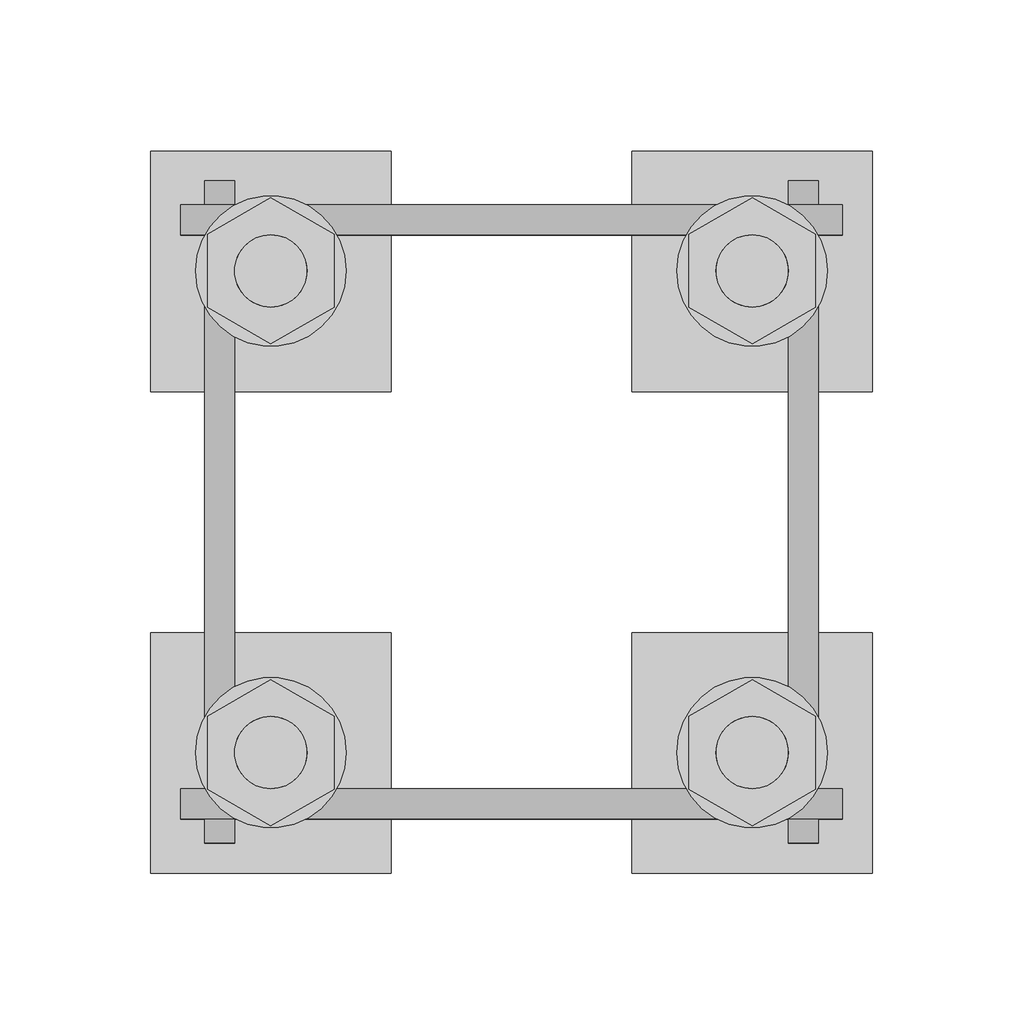
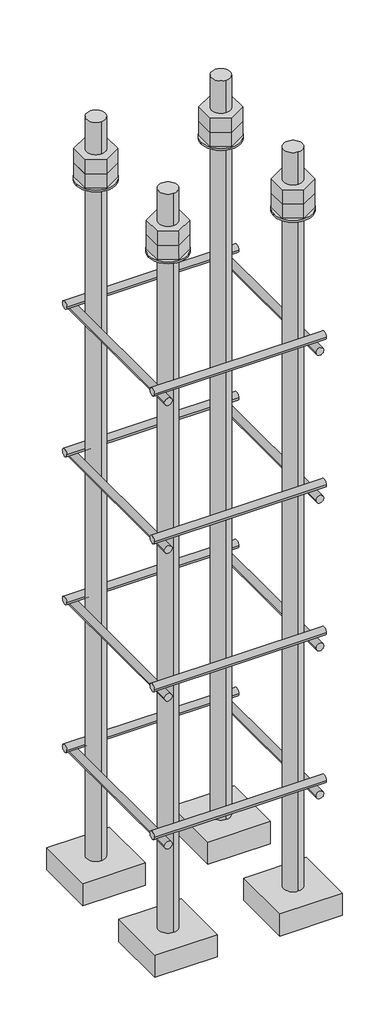
# One storey, part 11 of 66: 1 fastener.
"""IFC4 building model written with IfcOpenShell, lengths in millimetres."""

from ifc_helpers import new_model, si_unit, point, frame, frame_2d, origin, place, context, project, spatial, polyline, circle_curve, trimmed, segment, composite_curve, outline, extrude, element, save
from ifc_brep_helpers import plane_surface, cylinder_surface, advanced_brep

model = new_model("IFC4")

# Units and contexts
model_context = context("Model", 3, world=origin())
ifc_project = project(units=[si_unit("LENGTHUNIT", "METRE", prefix="MILLI")], contexts=[model_context])

# Site, building, storey
site = spatial("IfcSite", under=ifc_project)
building = spatial("IfcBuilding", under=site)
storey = spatial("IfcBuildingStorey", under=building, Elevation=9070.0)

# Fastener
placement = place(None, origin())
element("IfcFastener", 1, ObjectType="AU1 : AU-01", at=placement, inside=storey, context=model_context, shape_type="SolidModel", body=[
    extrude(outline(composite_curve([segment(trimmed(circle_curve(frame_2d((20703.0, 8595.0)), 5.0), [point((20698.0, 8595.0))], [point((20708.0, 8595.0))], False, "CARTESIAN"), True, "CONTINUOUS"), segment(trimmed(circle_curve(frame_2d((20703.0, 8595.0)), 5.0), [point((20708.0, 8595.0))], [point((20698.0, 8595.0))], False, "CARTESIAN"), True, "CONTINUOUS")], self_intersect=False)), frame((17040.0, 0.0, 0.0), z_axis=(1.0, 0.0, 0.0), x_axis=(0.0, 1.0, 0.0)), (0.0, 0.0, 1.0), 220.0),
    extrude(outline(composite_curve([segment(trimmed(circle_curve(frame_2d((20897.0, 8595.0)), 5.0), [point((20902.0, 8595.0))], [point((20892.0, 8595.0))], False, "CARTESIAN"), True, "CONTINUOUS"), segment(trimmed(circle_curve(frame_2d((20897.0, 8595.0)), 5.0), [point((20892.0, 8595.0))], [point((20902.0, 8595.0))], False, "CARTESIAN"), True, "CONTINUOUS")], self_intersect=False)), frame((17040.0, 0.0, 0.0), z_axis=(1.0, 0.0, 0.0), x_axis=(0.0, 1.0, 0.0)), (0.0, 0.0, 1.0), 220.0),
    extrude(outline(composite_curve([segment(trimmed(circle_curve(frame_2d((8585.0, 17053.0)), 5.0), [point((8585.0, 17048.0))], [point((8585.0, 17058.0))], False, "CARTESIAN"), True, "CONTINUOUS"), segment(trimmed(circle_curve(frame_2d((8585.0, 17053.0)), 5.0), [point((8585.0, 17058.0))], [point((8585.0, 17048.0))], False, "CARTESIAN"), True, "CONTINUOUS")], self_intersect=False)), frame((0.0, 20690.0, 0.0), z_axis=(0.0, 1.0, 0.0), x_axis=(0.0, 0.0, 1.0)), (0.0, 0.0, 1.0), 220.0),
    extrude(outline(composite_curve([segment(trimmed(circle_curve(frame_2d((8585.0, 17247.0)), 5.0), [point((8585.0, 17252.0))], [point((8585.0, 17242.0))], False, "CARTESIAN"), True, "CONTINUOUS"), segment(trimmed(circle_curve(frame_2d((8585.0, 17247.0)), 5.0), [point((8585.0, 17242.0))], [point((8585.0, 17252.0))], False, "CARTESIAN"), True, "CONTINUOUS")], self_intersect=False)), frame((0.0, 20690.0, 0.0), z_axis=(0.0, 1.0, 0.0), x_axis=(0.0, 0.0, 1.0)), (0.0, 0.0, 1.0), 220.0),
    extrude(outline(composite_curve([segment(trimmed(circle_curve(frame_2d((20703.0, 8795.0)), 5.0), [point((20698.0, 8795.0))], [point((20708.0, 8795.0))], False, "CARTESIAN"), True, "CONTINUOUS"), segment(trimmed(circle_curve(frame_2d((20703.0, 8795.0)), 5.0), [point((20708.0, 8795.0))], [point((20698.0, 8795.0))], False, "CARTESIAN"), True, "CONTINUOUS")], self_intersect=False)), frame((17040.0, 0.0, 0.0), z_axis=(1.0, 0.0, 0.0), x_axis=(0.0, 1.0, 0.0)), (0.0, 0.0, 1.0), 220.0),
    extrude(outline(composite_curve([segment(trimmed(circle_curve(frame_2d((20897.0, 8795.0)), 5.0), [point((20902.0, 8795.0))], [point((20892.0, 8795.0))], False, "CARTESIAN"), True, "CONTINUOUS"), segment(trimmed(circle_curve(frame_2d((20897.0, 8795.0)), 5.0), [point((20892.0, 8795.0))], [point((20902.0, 8795.0))], False, "CARTESIAN"), True, "CONTINUOUS")], self_intersect=False)), frame((17040.0, 0.0, 0.0), z_axis=(1.0, 0.0, 0.0), x_axis=(0.0, 1.0, 0.0)), (0.0, 0.0, 1.0), 220.0),
    extrude(outline(composite_curve([segment(trimmed(circle_curve(frame_2d((8785.0, 17053.0)), 5.0), [point((8785.0, 17048.0))], [point((8785.0, 17058.0))], False, "CARTESIAN"), True, "CONTINUOUS"), segment(trimmed(circle_curve(frame_2d((8785.0, 17053.0)), 5.0), [point((8785.0, 17058.0))], [point((8785.0, 17048.0))], False, "CARTESIAN"), True, "CONTINUOUS")], self_intersect=False)), frame((0.0, 20690.0, 0.0), z_axis=(0.0, 1.0, 0.0), x_axis=(0.0, 0.0, 1.0)), (0.0, 0.0, 1.0), 220.0),
    extrude(outline(composite_curve([segment(trimmed(circle_curve(frame_2d((8785.0, 17247.0)), 5.0), [point((8785.0, 17252.0))], [point((8785.0, 17242.0))], False, "CARTESIAN"), True, "CONTINUOUS"), segment(trimmed(circle_curve(frame_2d((8785.0, 17247.0)), 5.0), [point((8785.0, 17242.0))], [point((8785.0, 17252.0))], False, "CARTESIAN"), True, "CONTINUOUS")], self_intersect=False)), frame((0.0, 20690.0, 0.0), z_axis=(0.0, 1.0, 0.0), x_axis=(0.0, 0.0, 1.0)), (0.0, 0.0, 1.0), 220.0),
    extrude(outline(composite_curve([segment(trimmed(circle_curve(frame_2d((20703.0, 8995.0)), 5.0), [point((20698.0, 8995.0))], [point((20708.0, 8995.0))], False, "CARTESIAN"), True, "CONTINUOUS"), segment(trimmed(circle_curve(frame_2d((20703.0, 8995.0)), 5.0), [point((20708.0, 8995.0))], [point((20698.0, 8995.0))], False, "CARTESIAN"), True, "CONTINUOUS")], self_intersect=False)), frame((17040.0, 0.0, 0.0), z_axis=(1.0, 0.0, 0.0), x_axis=(0.0, 1.0, 0.0)), (0.0, 0.0, 1.0), 220.0),
    extrude(outline(composite_curve([segment(trimmed(circle_curve(frame_2d((20897.0, 8995.0)), 5.0), [point((20902.0, 8995.0))], [point((20892.0, 8995.0))], False, "CARTESIAN"), True, "CONTINUOUS"), segment(trimmed(circle_curve(frame_2d((20897.0, 8995.0)), 5.0), [point((20892.0, 8995.0))], [point((20902.0, 8995.0))], False, "CARTESIAN"), True, "CONTINUOUS")], self_intersect=False)), frame((17040.0, 0.0, 0.0), z_axis=(1.0, 0.0, 0.0), x_axis=(0.0, 1.0, 0.0)), (0.0, 0.0, 1.0), 220.0),
    extrude(outline(composite_curve([segment(trimmed(circle_curve(frame_2d((8985.0, 17053.0)), 5.0), [point((8985.0, 17048.0))], [point((8985.0, 17058.0))], False, "CARTESIAN"), True, "CONTINUOUS"), segment(trimmed(circle_curve(frame_2d((8985.0, 17053.0)), 5.0), [point((8985.0, 17058.0))], [point((8985.0, 17048.0))], False, "CARTESIAN"), True, "CONTINUOUS")], self_intersect=False)), frame((0.0, 20690.0, 0.0), z_axis=(0.0, 1.0, 0.0), x_axis=(0.0, 0.0, 1.0)), (0.0, 0.0, 1.0), 220.0),
    extrude(outline(composite_curve([segment(trimmed(circle_curve(frame_2d((8985.0, 17247.0)), 5.0), [point((8985.0, 17252.0))], [point((8985.0, 17242.0))], False, "CARTESIAN"), True, "CONTINUOUS"), segment(trimmed(circle_curve(frame_2d((8985.0, 17247.0)), 5.0), [point((8985.0, 17242.0))], [point((8985.0, 17252.0))], False, "CARTESIAN"), True, "CONTINUOUS")], self_intersect=False)), frame((0.0, 20690.0, 0.0), z_axis=(0.0, 1.0, 0.0), x_axis=(0.0, 0.0, 1.0)), (0.0, 0.0, 1.0), 220.0),
    extrude(outline(composite_curve([segment(trimmed(circle_curve(frame_2d((20703.0, 9195.0)), 5.0), [point((20698.0, 9195.0))], [point((20708.0, 9195.0))], False, "CARTESIAN"), True, "CONTINUOUS"), segment(trimmed(circle_curve(frame_2d((20703.0, 9195.0)), 5.0), [point((20708.0, 9195.0))], [point((20698.0, 9195.0))], False, "CARTESIAN"), True, "CONTINUOUS")], self_intersect=False)), frame((17040.0, 0.0, 0.0), z_axis=(1.0, 0.0, 0.0), x_axis=(0.0, 1.0, 0.0)), (0.0, 0.0, 1.0), 220.0),
    extrude(outline(composite_curve([segment(trimmed(circle_curve(frame_2d((20897.0, 9195.0)), 5.0), [point((20902.0, 9195.0))], [point((20892.0, 9195.0))], False, "CARTESIAN"), True, "CONTINUOUS"), segment(trimmed(circle_curve(frame_2d((20897.0, 9195.0)), 5.0), [point((20892.0, 9195.0))], [point((20902.0, 9195.0))], False, "CARTESIAN"), True, "CONTINUOUS")], self_intersect=False)), frame((17040.0, 0.0, 0.0), z_axis=(1.0, 0.0, 0.0), x_axis=(0.0, 1.0, 0.0)), (0.0, 0.0, 1.0), 220.0),
    extrude(outline(composite_curve([segment(trimmed(circle_curve(frame_2d((9185.0, 17053.0)), 5.0), [point((9185.0, 17048.0))], [point((9185.0, 17058.0))], False, "CARTESIAN"), True, "CONTINUOUS"), segment(trimmed(circle_curve(frame_2d((9185.0, 17053.0)), 5.0), [point((9185.0, 17058.0))], [point((9185.0, 17048.0))], False, "CARTESIAN"), True, "CONTINUOUS")], self_intersect=False)), frame((0.0, 20690.0, 0.0), z_axis=(0.0, 1.0, 0.0), x_axis=(0.0, 0.0, 1.0)), (0.0, 0.0, 1.0), 220.0),
    extrude(outline(composite_curve([segment(trimmed(circle_curve(frame_2d((9185.0, 17247.0)), 5.0), [point((9185.0, 17252.0))], [point((9185.0, 17242.0))], False, "CARTESIAN"), True, "CONTINUOUS"), segment(trimmed(circle_curve(frame_2d((9185.0, 17247.0)), 5.0), [point((9185.0, 17242.0))], [point((9185.0, 17252.0))], False, "CARTESIAN"), True, "CONTINUOUS")], self_intersect=False)), frame((0.0, 20690.0, 0.0), z_axis=(0.0, 1.0, 0.0), x_axis=(0.0, 0.0, 1.0)), (0.0, 0.0, 1.0), 220.0),
    advanced_brep(
    [(17110.0, 20920.0, 8450.0), (17030.0, 20920.0, 8450.0), (17030.0, 20840.0, 8450.0), (17110.0, 20840.0, 8450.0), (17070.0, 20868.0, 8450.0), (17070.0, 20892.0, 8450.0), (17110.0, 20920.0, 8420.0), (17110.0, 20840.0, 8420.0), (17030.0, 20840.0, 8420.0), (17030.0, 20920.0, 8420.0), (17070.0, 20892.0, 9450.0), (17070.0, 20868.0, 9450.0)],
    [
        (0, 1),
        (1, 2),
        (2, 3),
        (3, 0),
        (4, 5, circle_curve(frame((17070.0, 20880.0, 8450.0), z_axis=(0.0, 0.0, -1.0), x_axis=(0.0, -1.0, 0.0)), 12.0)),
        (5, 4, circle_curve(frame((17070.0, 20880.0, 8450.0), z_axis=(0.0, 0.0, -1.0), x_axis=(0.0, -1.0, 0.0)), 12.0)),
        (6, 7),
        (7, 8),
        (8, 9),
        (9, 6),
        (0, 6),
        (9, 1),
        (8, 2),
        (7, 3),
        (10, 11, circle_curve(frame((17070.0, 20880.0, 9450.0), z_axis=(0.0, 0.0, 1.0), x_axis=(0.0, -1.0, 0.0)), 12.0)),
        (11, 10, circle_curve(frame((17070.0, 20880.0, 9450.0), z_axis=(0.0, 0.0, 1.0), x_axis=(0.0, -1.0, 0.0)), 12.0)),
        (10, 5),
        (4, 11),
    ],
    [
        plane_surface(frame((17030.0, 20920.0, 8450.0), z_axis=(0.0, 0.0, 1.0), x_axis=(-1.0, 0.0, 0.0))),
        plane_surface(frame((17030.0, 20920.0, 8420.0), z_axis=(0.0, 0.0, -1.0), x_axis=(1.0, 0.0, 0.0))),
        plane_surface(frame((17110.0, 20920.0, 8450.0), z_axis=(0.0, 1.0, 0.0), x_axis=(0.0, 0.0, -1.0))),
        plane_surface(frame((17030.0, 20920.0, 8450.0), z_axis=(-1.0, 0.0, 0.0), x_axis=(0.0, 0.0, -1.0))),
        plane_surface(frame((17030.0, 20840.0, 8450.0), z_axis=(0.0, -1.0, 0.0), x_axis=(0.0, 0.0, -1.0))),
        plane_surface(frame((17110.0, 20840.0, 8450.0), z_axis=(1.0, 0.0, 0.0), x_axis=(0.0, 0.0, -1.0))),
        plane_surface(frame((17070.0, 20880.0, 9450.0), z_axis=(0.0, 0.0, 1.0), x_axis=(0.0, -1.0, 0.0))),
        cylinder_surface(frame((17070.0, 20880.0, 9450.0), z_axis=(0.0, 0.0, 1.0), x_axis=(0.0, -1.0, 0.0)), 12.0),
    ],
    [
        (0, [[1, 2, 3, 4], [5, 6]]),
        (1, [[7, 8, 9, 10]]),
        (2, [[-1, 11, -10, 12]]),
        (3, [[-2, -12, -9, 13]]),
        (4, [[-3, -13, -8, 14]]),
        (5, [[-4, -14, -7, -11]]),
        (6, [[15, 16]]),
        (7, [[-15, 17, -5, 18]]),
        (7, [[-16, -18, -6, -17]]),
    ],
),
    extrude(outline(composite_curve([segment(trimmed(circle_curve(frame_2d((17070.0, 20880.0)), 25.0), [point((17095.0, 20880.0))], [point((17045.0, 20880.0))], False, "CARTESIAN"), True, "CONTINUOUS"), segment(trimmed(circle_curve(frame_2d((17070.0, 20880.0)), 25.0), [point((17045.0, 20880.0))], [point((17095.0, 20880.0))], False, "CARTESIAN"), True, "CONTINUOUS")], self_intersect=False), holes=[composite_curve([segment(trimmed(circle_curve(frame_2d((17070.0, 20880.0)), 12.0), [point((17082.0, 20880.0))], [point((17058.0, 20880.0))], True, "CARTESIAN"), True, "CONTINUOUS"), segment(trimmed(circle_curve(frame_2d((17070.0, 20880.0)), 12.0), [point((17058.0, 20880.0))], [point((17082.0, 20880.0))], True, "CARTESIAN"), True, "CONTINUOUS")], self_intersect=False)]), frame((0.0, 0.0, 9365.0), z_axis=(0.0, 0.0, 1.0), x_axis=(1.0, 0.0, 0.0)), (0.0, 0.0, 1.0), 2.5),
    extrude(outline(polyline([(17070.0, 20904.2487113), (17091.0, 20892.1243557), (17091.0, 20867.8756443), (17070.0, 20855.7512887), (17049.0, 20867.8756443), (17049.0, 20892.1243557), (17070.0, 20904.2487113)]), holes=[composite_curve([segment(trimmed(circle_curve(frame_2d((17070.0, 20880.0)), 12.0), [point((17082.0, 20880.0))], [point((17058.0, 20880.0))], True, "CARTESIAN"), True, "CONTINUOUS"), segment(trimmed(circle_curve(frame_2d((17070.0, 20880.0)), 12.0), [point((17058.0, 20880.0))], [point((17082.0, 20880.0))], True, "CARTESIAN"), True, "CONTINUOUS")], self_intersect=False)]), frame((0.0, 0.0, 9387.0), z_axis=(0.0, 0.0, 1.0), x_axis=(1.0, 0.0, 0.0)), (0.0, 0.0, 1.0), 19.5),
    extrude(outline(polyline([(17070.0, 20904.2487113), (17091.0, 20892.1243557), (17091.0, 20867.8756443), (17070.0, 20855.7512887), (17049.0, 20867.8756443), (17049.0, 20892.1243557), (17070.0, 20904.2487113)]), holes=[composite_curve([segment(trimmed(circle_curve(frame_2d((17070.0, 20880.0)), 12.0), [point((17082.0, 20880.0))], [point((17058.0, 20880.0))], True, "CARTESIAN"), True, "CONTINUOUS"), segment(trimmed(circle_curve(frame_2d((17070.0, 20880.0)), 12.0), [point((17058.0, 20880.0))], [point((17082.0, 20880.0))], True, "CARTESIAN"), True, "CONTINUOUS")], self_intersect=False)]), frame((0.0, 0.0, 9367.5), z_axis=(0.0, 0.0, 1.0), x_axis=(1.0, 0.0, 0.0)), (0.0, 0.0, 1.0), 19.5),
    advanced_brep(
    [(17190.0, 20840.0, 8450.0), (17270.0, 20840.0, 8450.0), (17270.0, 20920.0, 8450.0), (17190.0, 20920.0, 8450.0), (17230.0, 20892.0, 8450.0), (17230.0, 20868.0, 8450.0), (17190.0, 20840.0, 8420.0), (17190.0, 20920.0, 8420.0), (17270.0, 20920.0, 8420.0), (17270.0, 20840.0, 8420.0), (17230.0, 20868.0, 9450.0), (17230.0, 20892.0, 9450.0)],
    [
        (0, 1),
        (1, 2),
        (2, 3),
        (3, 0),
        (4, 5, circle_curve(frame((17230.0, 20880.0, 8450.0), z_axis=(0.0, 0.0, -1.0), x_axis=(0.0, 1.0, 0.0)), 12.0)),
        (5, 4, circle_curve(frame((17230.0, 20880.0, 8450.0), z_axis=(0.0, 0.0, -1.0), x_axis=(0.0, 1.0, 0.0)), 12.0)),
        (6, 7),
        (7, 8),
        (8, 9),
        (9, 6),
        (0, 6),
        (9, 1),
        (8, 2),
        (7, 3),
        (10, 11, circle_curve(frame((17230.0, 20880.0, 9450.0), z_axis=(0.0, 0.0, 1.0), x_axis=(0.0, 1.0, 0.0)), 12.0)),
        (11, 10, circle_curve(frame((17230.0, 20880.0, 9450.0), z_axis=(0.0, 0.0, 1.0), x_axis=(0.0, 1.0, 0.0)), 12.0)),
        (10, 5),
        (4, 11),
    ],
    [
        plane_surface(frame((17270.0, 20840.0, 8450.0), z_axis=(0.0, 0.0, 1.0), x_axis=(1.0, 0.0, 0.0))),
        plane_surface(frame((17270.0, 20840.0, 8420.0), z_axis=(0.0, 0.0, -1.0), x_axis=(-1.0, 0.0, 0.0))),
        plane_surface(frame((17190.0, 20840.0, 8450.0), z_axis=(0.0, -1.0, 0.0), x_axis=(0.0, 0.0, -1.0))),
        plane_surface(frame((17270.0, 20840.0, 8450.0), z_axis=(1.0, 0.0, 0.0), x_axis=(0.0, 0.0, -1.0))),
        plane_surface(frame((17270.0, 20920.0, 8450.0), z_axis=(0.0, 1.0, 0.0), x_axis=(0.0, 0.0, -1.0))),
        plane_surface(frame((17190.0, 20920.0, 8450.0), z_axis=(-1.0, 0.0, 0.0), x_axis=(0.0, 0.0, -1.0))),
        plane_surface(frame((17230.0, 20880.0, 9450.0), z_axis=(0.0, 0.0, 1.0), x_axis=(0.0, 1.0, 0.0))),
        cylinder_surface(frame((17230.0, 20880.0, 9450.0), z_axis=(0.0, 0.0, 1.0), x_axis=(0.0, 1.0, 0.0)), 12.0),
    ],
    [
        (0, [[1, 2, 3, 4], [5, 6]]),
        (1, [[7, 8, 9, 10]]),
        (2, [[-1, 11, -10, 12]]),
        (3, [[-2, -12, -9, 13]]),
        (4, [[-3, -13, -8, 14]]),
        (5, [[-4, -14, -7, -11]]),
        (6, [[15, 16]]),
        (7, [[-15, 17, -5, 18]]),
        (7, [[-16, -18, -6, -17]]),
    ],
),
    extrude(outline(composite_curve([segment(trimmed(circle_curve(frame_2d((17230.0, 20880.0)), 25.0), [point((17205.0, 20880.0))], [point((17255.0, 20880.0))], False, "CARTESIAN"), True, "CONTINUOUS"), segment(trimmed(circle_curve(frame_2d((17230.0, 20880.0)), 25.0), [point((17255.0, 20880.0))], [point((17205.0, 20880.0))], False, "CARTESIAN"), True, "CONTINUOUS")], self_intersect=False), holes=[composite_curve([segment(trimmed(circle_curve(frame_2d((17230.0, 20880.0)), 12.0), [point((17218.0, 20880.0))], [point((17242.0, 20880.0))], True, "CARTESIAN"), True, "CONTINUOUS"), segment(trimmed(circle_curve(frame_2d((17230.0, 20880.0)), 12.0), [point((17242.0, 20880.0))], [point((17218.0, 20880.0))], True, "CARTESIAN"), True, "CONTINUOUS")], self_intersect=False)]), frame((0.0, 0.0, 9365.0), z_axis=(0.0, 0.0, 1.0), x_axis=(1.0, 0.0, 0.0)), (0.0, 0.0, 1.0), 2.5),
    extrude(outline(polyline([(17230.0, 20855.7512887), (17209.0, 20867.8756443), (17209.0, 20892.1243557), (17230.0, 20904.2487113), (17251.0, 20892.1243557), (17251.0, 20867.8756443), (17230.0, 20855.7512887)]), holes=[composite_curve([segment(trimmed(circle_curve(frame_2d((17230.0, 20880.0)), 12.0), [point((17218.0, 20880.0))], [point((17242.0, 20880.0))], True, "CARTESIAN"), True, "CONTINUOUS"), segment(trimmed(circle_curve(frame_2d((17230.0, 20880.0)), 12.0), [point((17242.0, 20880.0))], [point((17218.0, 20880.0))], True, "CARTESIAN"), True, "CONTINUOUS")], self_intersect=False)]), frame((0.0, 0.0, 9387.0), z_axis=(0.0, 0.0, 1.0), x_axis=(1.0, 0.0, 0.0)), (0.0, 0.0, 1.0), 19.5),
    extrude(outline(polyline([(17230.0, 20855.7512887), (17209.0, 20867.8756443), (17209.0, 20892.1243557), (17230.0, 20904.2487113), (17251.0, 20892.1243557), (17251.0, 20867.8756443), (17230.0, 20855.7512887)]), holes=[composite_curve([segment(trimmed(circle_curve(frame_2d((17230.0, 20880.0)), 12.0), [point((17218.0, 20880.0))], [point((17242.0, 20880.0))], True, "CARTESIAN"), True, "CONTINUOUS"), segment(trimmed(circle_curve(frame_2d((17230.0, 20880.0)), 12.0), [point((17242.0, 20880.0))], [point((17218.0, 20880.0))], True, "CARTESIAN"), True, "CONTINUOUS")], self_intersect=False)]), frame((0.0, 0.0, 9367.5), z_axis=(0.0, 0.0, 1.0), x_axis=(1.0, 0.0, 0.0)), (0.0, 0.0, 1.0), 19.5),
    advanced_brep(
    [(17190.0, 20680.0, 8450.0), (17270.0, 20680.0, 8450.0), (17270.0, 20760.0, 8450.0), (17190.0, 20760.0, 8450.0), (17230.0, 20732.0, 8450.0), (17230.0, 20708.0, 8450.0), (17190.0, 20680.0, 8420.0), (17190.0, 20760.0, 8420.0), (17270.0, 20760.0, 8420.0), (17270.0, 20680.0, 8420.0), (17230.0, 20708.0, 9450.0), (17230.0, 20732.0, 9450.0)],
    [
        (0, 1),
        (1, 2),
        (2, 3),
        (3, 0),
        (4, 5, circle_curve(frame((17230.0, 20720.0, 8450.0), z_axis=(0.0, 0.0, -1.0), x_axis=(0.0, 1.0, 0.0)), 12.0)),
        (5, 4, circle_curve(frame((17230.0, 20720.0, 8450.0), z_axis=(0.0, 0.0, -1.0), x_axis=(0.0, 1.0, 0.0)), 12.0)),
        (6, 7),
        (7, 8),
        (8, 9),
        (9, 6),
        (0, 6),
        (9, 1),
        (8, 2),
        (7, 3),
        (10, 11, circle_curve(frame((17230.0, 20720.0, 9450.0), z_axis=(0.0, 0.0, 1.0), x_axis=(0.0, 1.0, 0.0)), 12.0)),
        (11, 10, circle_curve(frame((17230.0, 20720.0, 9450.0), z_axis=(0.0, 0.0, 1.0), x_axis=(0.0, 1.0, 0.0)), 12.0)),
        (10, 5),
        (4, 11),
    ],
    [
        plane_surface(frame((17270.0, 20680.0, 8450.0), z_axis=(0.0, 0.0, 1.0), x_axis=(1.0, 0.0, 0.0))),
        plane_surface(frame((17270.0, 20680.0, 8420.0), z_axis=(0.0, 0.0, -1.0), x_axis=(-1.0, 0.0, 0.0))),
        plane_surface(frame((17190.0, 20680.0, 8450.0), z_axis=(0.0, -1.0, 0.0), x_axis=(0.0, 0.0, -1.0))),
        plane_surface(frame((17270.0, 20680.0, 8450.0), z_axis=(1.0, 0.0, 0.0), x_axis=(0.0, 0.0, -1.0))),
        plane_surface(frame((17270.0, 20760.0, 8450.0), z_axis=(0.0, 1.0, 0.0), x_axis=(0.0, 0.0, -1.0))),
        plane_surface(frame((17190.0, 20760.0, 8450.0), z_axis=(-1.0, 0.0, 0.0), x_axis=(0.0, 0.0, -1.0))),
        plane_surface(frame((17230.0, 20720.0, 9450.0), z_axis=(0.0, 0.0, 1.0), x_axis=(0.0, 1.0, 0.0))),
        cylinder_surface(frame((17230.0, 20720.0, 9450.0), z_axis=(0.0, 0.0, 1.0), x_axis=(0.0, 1.0, 0.0)), 12.0),
    ],
    [
        (0, [[1, 2, 3, 4], [5, 6]]),
        (1, [[7, 8, 9, 10]]),
        (2, [[-1, 11, -10, 12]]),
        (3, [[-2, -12, -9, 13]]),
        (4, [[-3, -13, -8, 14]]),
        (5, [[-4, -14, -7, -11]]),
        (6, [[15, 16]]),
        (7, [[-15, 17, -5, 18]]),
        (7, [[-16, -18, -6, -17]]),
    ],
),
    extrude(outline(composite_curve([segment(trimmed(circle_curve(frame_2d((17230.0, 20720.0)), 25.0), [point((17205.0, 20720.0))], [point((17255.0, 20720.0))], False, "CARTESIAN"), True, "CONTINUOUS"), segment(trimmed(circle_curve(frame_2d((17230.0, 20720.0)), 25.0), [point((17255.0, 20720.0))], [point((17205.0, 20720.0))], False, "CARTESIAN"), True, "CONTINUOUS")], self_intersect=False), holes=[composite_curve([segment(trimmed(circle_curve(frame_2d((17230.0, 20720.0)), 12.0), [point((17218.0, 20720.0))], [point((17242.0, 20720.0))], True, "CARTESIAN"), True, "CONTINUOUS"), segment(trimmed(circle_curve(frame_2d((17230.0, 20720.0)), 12.0), [point((17242.0, 20720.0))], [point((17218.0, 20720.0))], True, "CARTESIAN"), True, "CONTINUOUS")], self_intersect=False)]), frame((0.0, 0.0, 9365.0), z_axis=(0.0, 0.0, 1.0), x_axis=(1.0, 0.0, 0.0)), (0.0, 0.0, 1.0), 2.5),
    extrude(outline(polyline([(17230.0, 20695.7512887), (17209.0, 20707.8756443), (17209.0, 20732.1243557), (17230.0, 20744.2487113), (17251.0, 20732.1243557), (17251.0, 20707.8756443), (17230.0, 20695.7512887)]), holes=[composite_curve([segment(trimmed(circle_curve(frame_2d((17230.0, 20720.0)), 12.0), [point((17218.0, 20720.0))], [point((17242.0, 20720.0))], True, "CARTESIAN"), True, "CONTINUOUS"), segment(trimmed(circle_curve(frame_2d((17230.0, 20720.0)), 12.0), [point((17242.0, 20720.0))], [point((17218.0, 20720.0))], True, "CARTESIAN"), True, "CONTINUOUS")], self_intersect=False)]), frame((0.0, 0.0, 9387.0), z_axis=(0.0, 0.0, 1.0), x_axis=(1.0, 0.0, 0.0)), (0.0, 0.0, 1.0), 19.5),
    extrude(outline(polyline([(17230.0, 20695.7512887), (17209.0, 20707.8756443), (17209.0, 20732.1243557), (17230.0, 20744.2487113), (17251.0, 20732.1243557), (17251.0, 20707.8756443), (17230.0, 20695.7512887)]), holes=[composite_curve([segment(trimmed(circle_curve(frame_2d((17230.0, 20720.0)), 12.0), [point((17218.0, 20720.0))], [point((17242.0, 20720.0))], True, "CARTESIAN"), True, "CONTINUOUS"), segment(trimmed(circle_curve(frame_2d((17230.0, 20720.0)), 12.0), [point((17242.0, 20720.0))], [point((17218.0, 20720.0))], True, "CARTESIAN"), True, "CONTINUOUS")], self_intersect=False)]), frame((0.0, 0.0, 9367.5), z_axis=(0.0, 0.0, 1.0), x_axis=(1.0, 0.0, 0.0)), (0.0, 0.0, 1.0), 19.5),
    advanced_brep(
    [(17110.0, 20760.0, 8450.0), (17030.0, 20760.0, 8450.0), (17030.0, 20680.0, 8450.0), (17110.0, 20680.0, 8450.0), (17070.0, 20708.0, 8450.0), (17070.0, 20732.0, 8450.0), (17110.0, 20760.0, 8420.0), (17110.0, 20680.0, 8420.0), (17030.0, 20680.0, 8420.0), (17030.0, 20760.0, 8420.0), (17070.0, 20732.0, 9450.0), (17070.0, 20708.0, 9450.0)],
    [
        (0, 1),
        (1, 2),
        (2, 3),
        (3, 0),
        (4, 5, circle_curve(frame((17070.0, 20720.0, 8450.0), z_axis=(0.0, 0.0, -1.0), x_axis=(0.0, -1.0, 0.0)), 12.0)),
        (5, 4, circle_curve(frame((17070.0, 20720.0, 8450.0), z_axis=(0.0, 0.0, -1.0), x_axis=(0.0, -1.0, 0.0)), 12.0)),
        (6, 7),
        (7, 8),
        (8, 9),
        (9, 6),
        (0, 6),
        (9, 1),
        (8, 2),
        (7, 3),
        (10, 11, circle_curve(frame((17070.0, 20720.0, 9450.0), z_axis=(0.0, 0.0, 1.0), x_axis=(0.0, -1.0, 0.0)), 12.0)),
        (11, 10, circle_curve(frame((17070.0, 20720.0, 9450.0), z_axis=(0.0, 0.0, 1.0), x_axis=(0.0, -1.0, 0.0)), 12.0)),
        (10, 5),
        (4, 11),
    ],
    [
        plane_surface(frame((17030.0, 20760.0, 8450.0), z_axis=(0.0, 0.0, 1.0), x_axis=(-1.0, 0.0, 0.0))),
        plane_surface(frame((17030.0, 20760.0, 8420.0), z_axis=(0.0, 0.0, -1.0), x_axis=(1.0, 0.0, 0.0))),
        plane_surface(frame((17110.0, 20760.0, 8450.0), z_axis=(0.0, 1.0, 0.0), x_axis=(0.0, 0.0, -1.0))),
        plane_surface(frame((17030.0, 20760.0, 8450.0), z_axis=(-1.0, 0.0, 0.0), x_axis=(0.0, 0.0, -1.0))),
        plane_surface(frame((17030.0, 20680.0, 8450.0), z_axis=(0.0, -1.0, 0.0), x_axis=(0.0, 0.0, -1.0))),
        plane_surface(frame((17110.0, 20680.0, 8450.0), z_axis=(1.0, 0.0, 0.0), x_axis=(0.0, 0.0, -1.0))),
        plane_surface(frame((17070.0, 20720.0, 9450.0), z_axis=(0.0, 0.0, 1.0), x_axis=(0.0, -1.0, 0.0))),
        cylinder_surface(frame((17070.0, 20720.0, 9450.0), z_axis=(0.0, 0.0, 1.0), x_axis=(0.0, -1.0, 0.0)), 12.0),
    ],
    [
        (0, [[1, 2, 3, 4], [5, 6]]),
        (1, [[7, 8, 9, 10]]),
        (2, [[-1, 11, -10, 12]]),
        (3, [[-2, -12, -9, 13]]),
        (4, [[-3, -13, -8, 14]]),
        (5, [[-4, -14, -7, -11]]),
        (6, [[15, 16]]),
        (7, [[-15, 17, -5, 18]]),
        (7, [[-16, -18, -6, -17]]),
    ],
),
    extrude(outline(composite_curve([segment(trimmed(circle_curve(frame_2d((17070.0, 20720.0)), 25.0), [point((17095.0, 20720.0))], [point((17045.0, 20720.0))], False, "CARTESIAN"), True, "CONTINUOUS"), segment(trimmed(circle_curve(frame_2d((17070.0, 20720.0)), 25.0), [point((17045.0, 20720.0))], [point((17095.0, 20720.0))], False, "CARTESIAN"), True, "CONTINUOUS")], self_intersect=False), holes=[composite_curve([segment(trimmed(circle_curve(frame_2d((17070.0, 20720.0)), 12.0), [point((17082.0, 20720.0))], [point((17058.0, 20720.0))], True, "CARTESIAN"), True, "CONTINUOUS"), segment(trimmed(circle_curve(frame_2d((17070.0, 20720.0)), 12.0), [point((17058.0, 20720.0))], [point((17082.0, 20720.0))], True, "CARTESIAN"), True, "CONTINUOUS")], self_intersect=False)]), frame((0.0, 0.0, 9365.0), z_axis=(0.0, 0.0, 1.0), x_axis=(1.0, 0.0, 0.0)), (0.0, 0.0, 1.0), 2.5),
    extrude(outline(polyline([(17070.0, 20744.2487113), (17091.0, 20732.1243557), (17091.0, 20707.8756443), (17070.0, 20695.7512887), (17049.0, 20707.8756443), (17049.0, 20732.1243557), (17070.0, 20744.2487113)]), holes=[composite_curve([segment(trimmed(circle_curve(frame_2d((17070.0, 20720.0)), 12.0), [point((17082.0, 20720.0))], [point((17058.0, 20720.0))], True, "CARTESIAN"), True, "CONTINUOUS"), segment(trimmed(circle_curve(frame_2d((17070.0, 20720.0)), 12.0), [point((17058.0, 20720.0))], [point((17082.0, 20720.0))], True, "CARTESIAN"), True, "CONTINUOUS")], self_intersect=False)]), frame((0.0, 0.0, 9387.0), z_axis=(0.0, 0.0, 1.0), x_axis=(1.0, 0.0, 0.0)), (0.0, 0.0, 1.0), 19.5),
    extrude(outline(polyline([(17070.0, 20744.2487113), (17091.0, 20732.1243557), (17091.0, 20707.8756443), (17070.0, 20695.7512887), (17049.0, 20707.8756443), (17049.0, 20732.1243557), (17070.0, 20744.2487113)]), holes=[composite_curve([segment(trimmed(circle_curve(frame_2d((17070.0, 20720.0)), 12.0), [point((17082.0, 20720.0))], [point((17058.0, 20720.0))], True, "CARTESIAN"), True, "CONTINUOUS"), segment(trimmed(circle_curve(frame_2d((17070.0, 20720.0)), 12.0), [point((17058.0, 20720.0))], [point((17082.0, 20720.0))], True, "CARTESIAN"), True, "CONTINUOUS")], self_intersect=False)]), frame((0.0, 0.0, 9367.5), z_axis=(0.0, 0.0, 1.0), x_axis=(1.0, 0.0, 0.0)), (0.0, 0.0, 1.0), 19.5),
])

save(model, "model.ifc")
